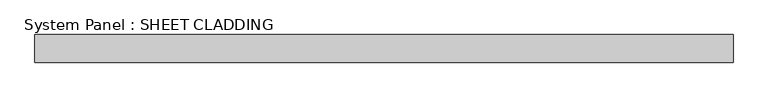
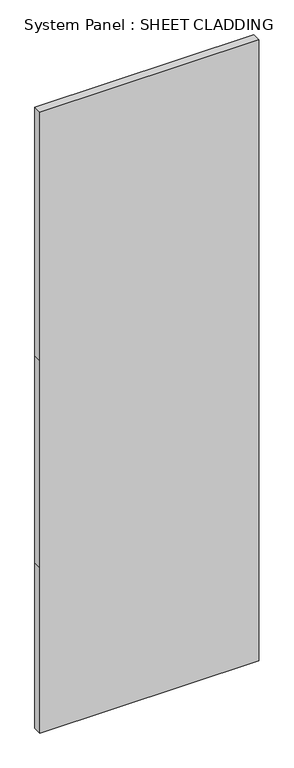
"""IFC4 building model written with IfcOpenShell, lengths in millimetres: plate geometry, System Panel : SHEET CLADDING."""

from ifc_helpers import new_model, si_unit, frame, origin, place, context, project, spatial, polyline, outline, extrude, source, transform, mapped, element, save


def system_panel_sheet_cladding_f756e8ee(model_context):
    return source(origin(), model_context, "Body", "SweptSolid", [
        extrude(outline(polyline([(0.0, -750.0), (0.0, 750.0), (1200.0, 750.0), (2700.0, 750.0), (4500.0, 750.0), (4500.0, -750.0), (2700.0, -750.0), (1200.0, -750.0), (0.0, -750.0)])), frame((0.0, -49.5, 0.0), z_axis=(0.0, 1.0, 0.0), x_axis=(0.0, 0.0, 1.0)), (0.0, 0.0, 1.0), 60.0),
    ])


if __name__ == "__main__":
    model = new_model("IFC4")
    model_context = context("Model", 3, world=origin())
    ifc_project = project(units=[si_unit("LENGTHUNIT", "METRE", prefix="MILLI")], contexts=[model_context])
    site = spatial("IfcSite", under=ifc_project)
    building = spatial("IfcBuilding", under=site)
    placement = place(None, origin())
    system_panel_sheet_cladding_shape = system_panel_sheet_cladding_f756e8ee(model_context)
    element("IfcPlate", 1, ObjectType="System Panel : SHEET CLADDING", at=placement, inside=building, context=model_context, shape_type="MappedRepresentation", body=[
        mapped(system_panel_sheet_cladding_shape, transform((0.0, 0.0, 0.0), x_axis=(1.0, 0.0, 0.0), y_axis=(0.0, 1.0, 0.0), z_axis=(0.0, 0.0, 1.0))),
    ])
    save(model, "model.ifc")
